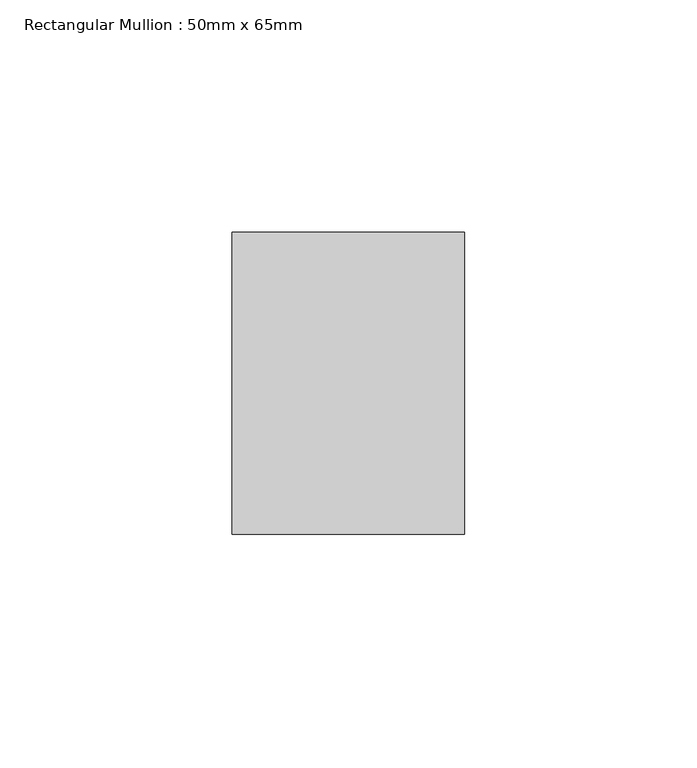
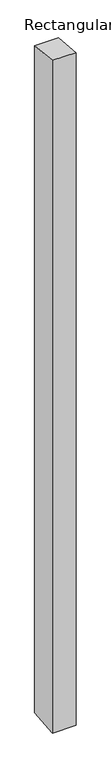
"""IFC4 building model written with IfcOpenShell, lengths in millimetres: member geometry, Rectangular Mullion : 50mm x 65mm."""

from ifc_helpers import new_model, si_unit, origin, place, context, project, spatial, faceted_brep, source, transform, mapped, element, save


def rectangular_mullion_50mm_x_65mm_c0f3fc7e(model_context):
    return source(origin(), model_context, "Body", "Brep", [
        faceted_brep([(-25.0, 32.5, -3.3716804), (25.0, 32.5, -3.3716807), (25.0, 32.5, -1496.8525616), (-25.0, 32.5, -1496.8525619), (-25.0, -32.5, 3.3716807), (-25.0, -32.5, -1503.1464319), (25.0, -32.5, 3.3716804), (25.0, -32.5, -1503.1464316)], [[[0, 1, 2, 3]], [[4, 0, 3, 5]], [[6, 4, 5, 7]], [[1, 6, 7, 2]], [[1, 0, 4, 6]], [[2, 7, 5, 3]]]),
    ])


if __name__ == "__main__":
    model = new_model("IFC4")
    model_context = context("Model", 3, world=origin())
    ifc_project = project(units=[si_unit("LENGTHUNIT", "METRE", prefix="MILLI")], contexts=[model_context])
    site = spatial("IfcSite", under=ifc_project)
    building = spatial("IfcBuilding", under=site)
    placement = place(None, origin())
    rectangular_mullion_50mm_x_65mm_shape = rectangular_mullion_50mm_x_65mm_c0f3fc7e(model_context)
    element("IfcMember", 1, ObjectType="Rectangular Mullion : 50mm x 65mm", at=placement, inside=building, context=model_context, shape_type="MappedRepresentation", body=[
        mapped(rectangular_mullion_50mm_x_65mm_shape, transform((0.0, 0.0, 0.0), x_axis=(1.0, 0.0, 0.0), y_axis=(0.0, 1.0, 0.0), z_axis=(0.0, 0.0, 1.0))),
    ])
    save(model, "model.ifc")
